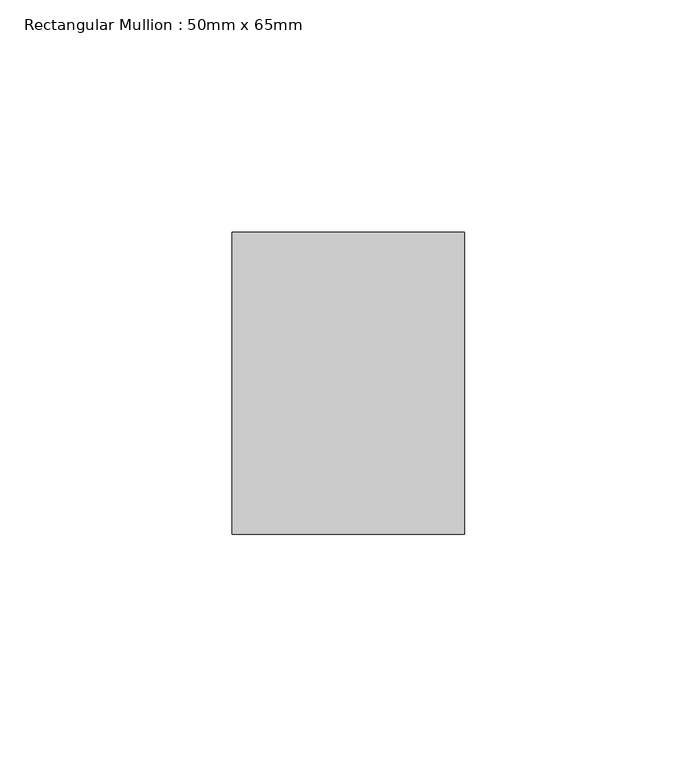
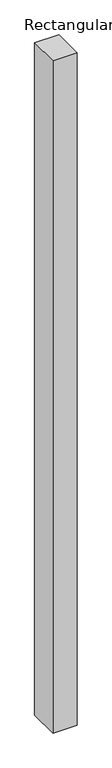
"""IFC4 building model written with IfcOpenShell, lengths in millimetres: member geometry, Rectangular Mullion : 50mm x 65mm."""

from ifc_helpers import new_model, si_unit, frame, origin, place, context, project, spatial, polyline, outline, extrude, source, transform, mapped, element, save


def rectangular_mullion_50mm_x_65mm_a4f757e9(model_context):
    return source(origin(), model_context, "Body", "SweptSolid", [
        extrude(outline(polyline([(25.0, 32.5), (25.0, -32.5), (-25.0, -32.5), (-25.0, 32.5), (25.0, 32.5)])), frame((0.0, 0.0, -1473.7157642), z_axis=(0.0, 0.0, 1.0), x_axis=(1.0, 0.0, 0.0)), (0.0, 0.0, 1.0), 1473.7157642),
    ])


if __name__ == "__main__":
    model = new_model("IFC4")
    model_context = context("Model", 3, world=origin())
    ifc_project = project(units=[si_unit("LENGTHUNIT", "METRE", prefix="MILLI")], contexts=[model_context])
    site = spatial("IfcSite", under=ifc_project)
    building = spatial("IfcBuilding", under=site)
    placement = place(None, origin())
    rectangular_mullion_50mm_x_65mm_shape = rectangular_mullion_50mm_x_65mm_a4f757e9(model_context)
    element("IfcMember", 1, ObjectType="Rectangular Mullion : 50mm x 65mm", at=placement, inside=building, context=model_context, shape_type="MappedRepresentation", body=[
        mapped(rectangular_mullion_50mm_x_65mm_shape, transform((0.0, 0.0, 0.0), x_axis=(1.0, 0.0, 0.0), y_axis=(0.0, 1.0, 0.0), z_axis=(0.0, 0.0, 1.0))),
    ])
    save(model, "model.ifc")
